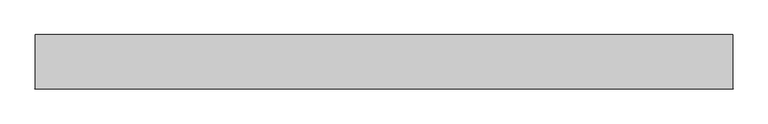
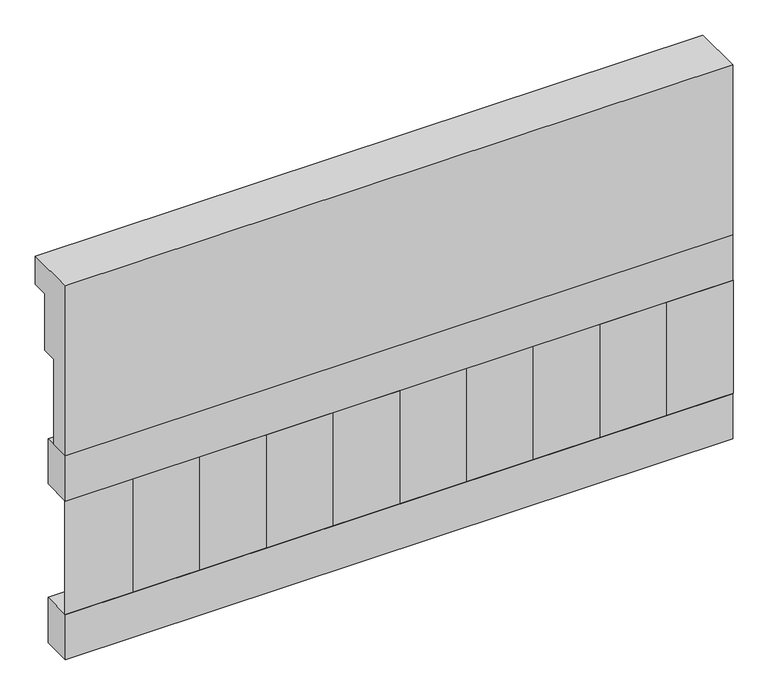
"""IFC4 building model written with IfcOpenShell, lengths in millimetres: railing geometry."""

from ifc_helpers import new_model, si_unit, frame, origin, place, context, project, spatial, polyline, outline, extrude, source, transform, mapped, element, save


def railing_b3db9877(model_context):
    return source(origin(), model_context, "Body", "SweptSolid", [
        extrude(outline(polyline([(903.1079487, 18500.0), (1033.1079487, 18500.0), (1033.1079487, 18425.0), (993.1079487, 18425.0), (993.1079487, 18275.0), (953.1079487, 18275.0), (953.1079487, 18050.0), (903.1079487, 18050.0), (903.1079487, 18500.0)])), frame((19290.0112841, 0.0, 0.0), z_axis=(1.0, 0.0, 0.0), x_axis=(0.0, 1.0, 0.0)), (0.0, 0.0, 1.0), 1670.0),
        extrude(outline(polyline([(20960.0112841, 978.1079487), (20960.0112841, 903.1079487), (19290.0112841, 903.1079487), (19290.0112841, 978.1079487), (20960.0112841, 978.1079487)])), frame((0.0, 0.0, 17930.0), z_axis=(0.0, 0.0, 1.0), x_axis=(1.0, 0.0, 0.0)), (0.0, 0.0, 1.0), 120.0),
        extrude(outline(polyline([(20960.0112841, 978.1079487), (20960.0112841, 903.1079487), (19290.0112841, 903.1079487), (19290.0112841, 978.1079487), (20960.0112841, 978.1079487)])), frame((0.0, 0.0, 17510.0), z_axis=(0.0, 0.0, 1.0), x_axis=(1.0, 0.0, 0.0)), (0.0, 0.0, 1.0), 120.0),
        extrude(outline(polyline([(19373.5112841, 987.9607624), (19458.3640978, 903.1079487), (19288.6584704, 903.1079487), (19373.5112841, 987.9607624)])), frame((0.0, 0.0, 17630.0), z_axis=(0.0, 0.0, 1.0), x_axis=(1.0, 0.0, 0.0)), (0.0, 0.0, 1.0), 300.0),
        extrude(outline(polyline([(19540.5112841, 987.9607624), (19625.3640978, 903.1079487), (19455.6584704, 903.1079487), (19540.5112841, 987.9607624)])), frame((0.0, 0.0, 17630.0), z_axis=(0.0, 0.0, 1.0), x_axis=(1.0, 0.0, 0.0)), (0.0, 0.0, 1.0), 300.0),
        extrude(outline(polyline([(19707.5112841, 987.9607624), (19792.3640978, 903.1079487), (19622.6584704, 903.1079487), (19707.5112841, 987.9607624)])), frame((0.0, 0.0, 17630.0), z_axis=(0.0, 0.0, 1.0), x_axis=(1.0, 0.0, 0.0)), (0.0, 0.0, 1.0), 300.0),
        extrude(outline(polyline([(19874.5112841, 987.9607624), (19959.3640978, 903.1079487), (19789.6584704, 903.1079487), (19874.5112841, 987.9607624)])), frame((0.0, 0.0, 17630.0), z_axis=(0.0, 0.0, 1.0), x_axis=(1.0, 0.0, 0.0)), (0.0, 0.0, 1.0), 300.0),
        extrude(outline(polyline([(20041.5112841, 987.9607624), (20126.3640978, 903.1079487), (19956.6584704, 903.1079487), (20041.5112841, 987.9607624)])), frame((0.0, 0.0, 17630.0), z_axis=(0.0, 0.0, 1.0), x_axis=(1.0, 0.0, 0.0)), (0.0, 0.0, 1.0), 300.0),
        extrude(outline(polyline([(20208.5112841, 987.9607624), (20293.3640978, 903.1079487), (20123.6584704, 903.1079487), (20208.5112841, 987.9607624)])), frame((0.0, 0.0, 17630.0), z_axis=(0.0, 0.0, 1.0), x_axis=(1.0, 0.0, 0.0)), (0.0, 0.0, 1.0), 300.0),
        extrude(outline(polyline([(20375.5112841, 987.9607624), (20460.3640978, 903.1079487), (20290.6584704, 903.1079487), (20375.5112841, 987.9607624)])), frame((0.0, 0.0, 17630.0), z_axis=(0.0, 0.0, 1.0), x_axis=(1.0, 0.0, 0.0)), (0.0, 0.0, 1.0), 300.0),
        extrude(outline(polyline([(20542.5112841, 987.9607624), (20627.3640978, 903.1079487), (20457.6584704, 903.1079487), (20542.5112841, 987.9607624)])), frame((0.0, 0.0, 17630.0), z_axis=(0.0, 0.0, 1.0), x_axis=(1.0, 0.0, 0.0)), (0.0, 0.0, 1.0), 300.0),
        extrude(outline(polyline([(20709.5112841, 987.9607624), (20794.3640978, 903.1079487), (20624.6584704, 903.1079487), (20709.5112841, 987.9607624)])), frame((0.0, 0.0, 17630.0), z_axis=(0.0, 0.0, 1.0), x_axis=(1.0, 0.0, 0.0)), (0.0, 0.0, 1.0), 300.0),
        extrude(outline(polyline([(20876.5112841, 987.9607624), (20961.3640978, 903.1079487), (20791.6584704, 903.1079487), (20876.5112841, 987.9607624)])), frame((0.0, 0.0, 17630.0), z_axis=(0.0, 0.0, 1.0), x_axis=(1.0, 0.0, 0.0)), (0.0, 0.0, 1.0), 300.0),
    ])


if __name__ == "__main__":
    model = new_model("IFC4")
    model_context = context("Model", 3, world=origin())
    ifc_project = project(units=[si_unit("LENGTHUNIT", "METRE", prefix="MILLI")], contexts=[model_context])
    site = spatial("IfcSite", under=ifc_project)
    building = spatial("IfcBuilding", under=site)
    placement = place(None, origin())
    railing_shape = railing_b3db9877(model_context)
    element("IfcRailing", 1, at=placement, inside=building, context=model_context, shape_type="MappedRepresentation", body=[
        mapped(railing_shape, transform((0.0, 0.0, 0.0), x_axis=(1.0, 0.0, 0.0), y_axis=(0.0, 1.0, 0.0), z_axis=(0.0, 0.0, 1.0))),
    ])
    save(model, "model.ifc")
